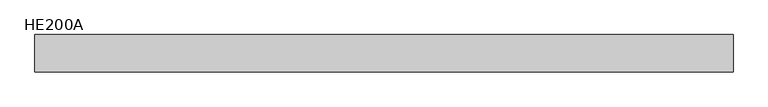
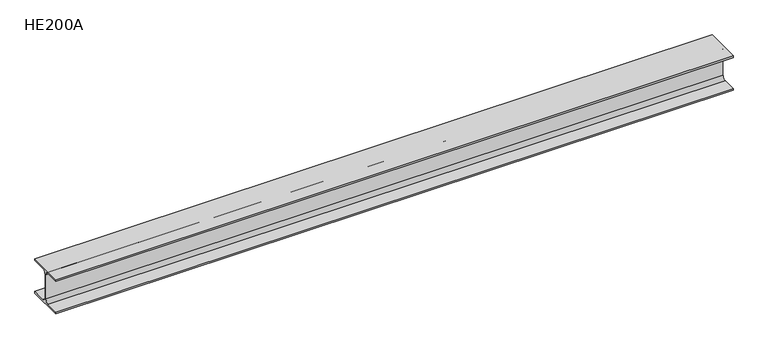
"""IFC4 building model written with IfcOpenShell, lengths in millimetres: beam geometry, HE200A."""

import ifcopenshell
import ifcopenshell.guid

model = None  # the IFC model being written
_history = None  # IfcOwnerHistory: only IFC2X3 demands one
_inside = {}  # id of a spatial element -> (the spatial element, [elements in it])
_under = {}  # id of a project, library or spatial element -> (it, [spatial elements below it])
_declared = {}  # id of a project -> (the project, [libraries it declares])
_typed = {}  # id of a type object -> (the type object, [elements of that type])
_made_of = {}  # id of a material, layer set ... -> (it, [elements and type objects made of it])


def new_model(schema):
    """Start an empty IFC model of exactly this schema.

    Asked for "IFC4X3", IfcOpenShell would pick the latest addendum, in which some entities
    have other attributes; the version numbers below select the first issue.
    IFC2X3 requires an IfcOwnerHistory on every rooted entity: one is made here for all.
    """
    global model, _history
    if schema == "IFC4X3":
        model = ifcopenshell.file(schema_version=(4, 3, 0, 0))
    else:
        model = ifcopenshell.file(schema=schema)
    _inside.clear()
    _under.clear()
    _declared.clear()
    _typed.clear()
    _made_of.clear()
    _history = None
    if model.schema == "IFC2X3":
        org = make("IfcOrganization", Name="unknown")
        user = make(
            "IfcPersonAndOrganization",
            ThePerson=make("IfcPerson", FamilyName="unknown"),
            TheOrganization=org,
        )
        app = make(
            "IfcApplication",
            ApplicationDeveloper=org,
            Version="unknown",
            ApplicationFullName="unknown",
            ApplicationIdentifier="unknown",
        )
        _history = make(
            "IfcOwnerHistory",
            OwningUser=user,
            OwningApplication=app,
            ChangeAction="ADDED",
            CreationDate=0,
        )
    return model


def make(cls, **values):
    """One entity of the class cls with the attributes given. An attribute that is None is left unset."""
    return model.create_entity(
        cls, **{name: value for name, value in values.items() if value is not None}
    )


def rooted(cls, **values):
    """An entity with a GlobalId (a new one), such as an element, a storey or a relation."""
    return make(cls, GlobalId=ifcopenshell.guid.new(), OwnerHistory=_history, **values)


def si_unit(unit_type, name, prefix=None):
    """IfcSIUnit, for example si_unit("LENGTHUNIT", "METRE", prefix="MILLI")."""
    return make("IfcSIUnit", UnitType=unit_type, Prefix=prefix, Name=name)


def assignment(units):
    """IfcUnitAssignment: the units of a project."""
    return None if units is None else make("IfcUnitAssignment", Units=units)


def point(xyz):
    """IfcCartesianPoint."""
    return None if xyz is None else make("IfcCartesianPoint", Coordinates=xyz)


def direction(xyz):
    """IfcDirection."""
    return None if xyz is None else make("IfcDirection", DirectionRatios=xyz)


def frame(location, z_axis=None, x_axis=None):
    """IfcAxis2Placement3D, a coordinate frame: its origin and axes. An axis left out is left unset."""
    return make(
        "IfcAxis2Placement3D",
        Location=point(location),
        Axis=direction(z_axis),
        RefDirection=direction(x_axis),
    )


def frame_2d(location, x_axis=None):
    """IfcAxis2Placement2D, a coordinate frame in the plane: its origin and x axis."""
    return make(
        "IfcAxis2Placement2D", Location=point(location), RefDirection=direction(x_axis)
    )


def origin():
    """The frame at (0, 0, 0) with its axes left unset."""
    return frame((0.0, 0.0, 0.0))


def place(relative_to, where):
    """IfcLocalPlacement: puts the frame where relative to a parent placement (None: the world)."""
    return make(
        "IfcLocalPlacement", PlacementRelTo=relative_to, RelativePlacement=where
    )


def context(
    kind, dimensions, precision=None, world=None, true_north=None, identifier=None
):
    """IfcGeometricRepresentationContext, for example the 3D "Model" context."""
    return make(
        "IfcGeometricRepresentationContext",
        ContextIdentifier=identifier,
        ContextType=kind,
        CoordinateSpaceDimension=dimensions,
        Precision=precision,
        WorldCoordinateSystem=world,
        TrueNorth=true_north,
    )


def project(units=None, contexts=None):
    """IfcProject with its units and contexts."""
    return rooted(
        "IfcProject",
        Name="project",
        RepresentationContexts=contexts,
        UnitsInContext=assignment(units),
    )


def spatial(cls, under=None, at=None, **own):
    """A site, building, storey or space (cls), placed at a placement, below another one or the project."""
    s = rooted(cls, ObjectPlacement=at, **own)
    if under is not None:
        _under.setdefault(under.id(), (under, []))[1].append(s)
    return s


def polyline(points):
    """IfcPolyline through the points."""
    return make("IfcPolyline", Points=[point(p) for p in points])


def circle_curve(where, radius):
    """IfcCircle in the frame where."""
    return make("IfcCircle", Position=where, Radius=radius)


def trimmed(basis, trim1, trim2, sense, master):
    """IfcTrimmedCurve: the piece of a basis curve between two trims."""
    return make(
        "IfcTrimmedCurve",
        BasisCurve=basis,
        Trim1=trim1,
        Trim2=trim2,
        SenseAgreement=sense,
        MasterRepresentation=master,
    )


def segment(curve, same_sense, transition):
    """IfcCompositeCurveSegment."""
    return make(
        "IfcCompositeCurveSegment",
        Transition=transition,
        SameSense=same_sense,
        ParentCurve=curve,
    )


def composite_curve(segments, self_intersect=None):
    """IfcCompositeCurve: segments joined end to end."""
    return make("IfcCompositeCurve", Segments=segments, SelfIntersect=self_intersect)


def outline(outer, holes=None, kind="AREA"):
    """IfcArbitraryClosedProfileDef: a profile drawn as a closed curve; with holes, ...WithVoids."""
    if holes is None:
        return make("IfcArbitraryClosedProfileDef", ProfileType=kind, OuterCurve=outer)
    return make(
        "IfcArbitraryProfileDefWithVoids",
        ProfileType=kind,
        OuterCurve=outer,
        InnerCurves=holes,
    )


def extrude(swept, where, along, depth):
    """IfcExtrudedAreaSolid: the profile swept, set in the frame where, extruded along a direction by depth."""
    return make(
        "IfcExtrudedAreaSolid",
        SweptArea=swept,
        Position=where,
        ExtrudedDirection=direction(along),
        Depth=depth,
    )


def shape(context_of_items, identifier, shape_type, items):
    """IfcShapeRepresentation: the items that make up one representation, for example the "Body"."""
    return make(
        "IfcShapeRepresentation",
        ContextOfItems=context_of_items,
        RepresentationIdentifier=identifier,
        RepresentationType=shape_type,
        Items=items,
    )


def source(mapping_origin, context_of_items, identifier, shape_type, items):
    """IfcRepresentationMap: a shape defined once, which mapped items show again and again."""
    return make(
        "IfcRepresentationMap",
        MappingOrigin=mapping_origin,
        MappedRepresentation=shape(context_of_items, identifier, shape_type, items),
    )


def transform(
    local_origin,
    x_axis=None,
    y_axis=None,
    z_axis=None,
    scale=None,
    scale2=None,
    scale3=None,
    uniform=True,
):
    """IfcCartesianTransformationOperator3D, or its non-uniform kind. x_axis, y_axis, z_axis: its Axis1, 2, 3."""
    if uniform:
        return make(
            "IfcCartesianTransformationOperator3D",
            Axis1=direction(x_axis),
            Axis2=direction(y_axis),
            LocalOrigin=point(local_origin),
            Scale=scale,
            Axis3=direction(z_axis),
        )
    return make(
        "IfcCartesianTransformationOperator3DnonUniform",
        Axis1=direction(x_axis),
        Axis2=direction(y_axis),
        LocalOrigin=point(local_origin),
        Scale=scale,
        Axis3=direction(z_axis),
        Scale2=scale2,
        Scale3=scale3,
    )


def mapped(mapping_source, mapping_target):
    """IfcMappedItem: shows the shape of a source again, moved by a transform."""
    return make(
        "IfcMappedItem", MappingSource=mapping_source, MappingTarget=mapping_target
    )


def made_of(thing, what):
    """Note that an element or type object is made of a material, layer set ...; save() writes the relation."""
    if what is not None:
        _made_of.setdefault(what.id(), (what, []))[1].append(thing)
    return thing


def element(
    cls,
    number,
    at=None,
    inside=None,
    cuts=None,
    type_object=None,
    material=None,
    context=None,
    identifier="Body",
    shape_type=None,
    held_by="IfcProductDefinitionShape",
    body=None,
    shapes=None,
    **own,
):
    """One element of the class cls, such as IfcWall. Its Tag is "e" and its number.

    at: its placement. inside: the storey or other place that contains it. cuts: it is an
    opening in that element (IfcRelVoidsElement). A single representation is given by context,
    identifier, shape_type and body (its items); several are given by shapes. held_by: the class
    of the entity that holds the representations. save() writes the other relations.
    """
    e = rooted(cls, Tag="e%d" % number, ObjectPlacement=at, **own)
    if body is not None:
        shapes = [shape(context, identifier, shape_type, body)]
    if shapes is not None:
        e.Representation = make(held_by, Representations=shapes)
    if inside is not None:
        _inside.setdefault(inside.id(), (inside, []))[1].append(e)
    if cuts is not None:
        rooted(
            "IfcRelVoidsElement", RelatingBuildingElement=cuts, RelatedOpeningElement=e
        )
    if type_object is not None:
        _typed.setdefault(type_object.id(), (type_object, []))[1].append(e)
    return made_of(e, material)


def aggregate(whole, parts):
    """IfcRelAggregates: a whole, such as a stair, and the parts it consists of."""
    return rooted("IfcRelAggregates", RelatingObject=whole, RelatedObjects=parts)


def save(model, path):
    """Write the relations noted so far, then the file.

    IfcRelAggregates (storeys below a building ...), IfcRelContainedInSpatialStructure (elements
    in a storey), IfcRelDefinesByType, IfcRelAssociatesMaterial and IfcRelDeclares: one each for
    every whole, place, type object, material and project.
    """
    for whole, parts in _under.values():
        aggregate(whole, parts)
    for where, things in _inside.values():
        rooted(
            "IfcRelContainedInSpatialStructure",
            RelatedElements=things,
            RelatingStructure=where,
        )
    for kind, things in _typed.values():
        rooted("IfcRelDefinesByType", RelatedObjects=things, RelatingType=kind)
    for what, things in _made_of.values():
        rooted("IfcRelAssociatesMaterial", RelatedObjects=things, RelatingMaterial=what)
    for by, libraries in _declared.values():
        rooted("IfcRelDeclares", RelatingContext=by, RelatedDefinitions=libraries)
    model.write(path)


def he200a_0d256b0d(model_context):
    return source(origin(), model_context, "Body", "SweptSolid", [
        extrude(outline(composite_curve([segment(polyline([(100.0, -90.0), (100.0, -100.0), (-100.0, -100.0), (-100.0, -90.0), (-24.0, -90.0)]), True, "CONTINUOUS"), segment(trimmed(circle_curve(frame_2d((-24.0, -70.0)), 20.0), [point((-24.0, -90.0))], [point((-4.0, -70.0))], True, "CARTESIAN"), True, "CONTINUOUS"), segment(polyline([(-4.0, -70.0), (-4.0, 70.0)]), True, "CONTINUOUS"), segment(trimmed(circle_curve(frame_2d((-24.0, 70.0)), 20.0), [point((-4.0, 70.0))], [point((-24.0, 90.0))], True, "CARTESIAN"), True, "CONTINUOUS"), segment(polyline([(-24.0, 90.0), (-100.0, 90.0), (-100.0, 100.0), (100.0, 100.0), (100.0, 90.0), (24.0, 90.0)]), True, "CONTINUOUS"), segment(trimmed(circle_curve(frame_2d((24.0, 70.0)), 20.0), [point((24.0, 90.0))], [point((4.0, 70.0))], True, "CARTESIAN"), True, "CONTINUOUS"), segment(polyline([(4.0, 70.0), (4.0, -70.0)]), True, "CONTINUOUS"), segment(trimmed(circle_curve(frame_2d((24.0, -70.0)), 20.0), [point((4.0, -70.0))], [point((24.0, -90.0))], True, "CARTESIAN"), True, "CONTINUOUS"), segment(polyline([(24.0, -90.0), (100.0, -90.0)]), True, "CONTINUOUS")], self_intersect=False)), frame((-1875.5, 0.0, 0.0), z_axis=(1.0, 0.0, 0.0), x_axis=(0.0, 1.0, 0.0)), (0.0, 0.0, 1.0), 3719.0),
    ])


if __name__ == "__main__":
    model = new_model("IFC4")
    model_context = context("Model", 3, world=origin())
    ifc_project = project(units=[si_unit("LENGTHUNIT", "METRE", prefix="MILLI")], contexts=[model_context])
    site = spatial("IfcSite", under=ifc_project)
    building = spatial("IfcBuilding", under=site)
    placement = place(None, origin())
    he200a_shape = he200a_0d256b0d(model_context)
    element("IfcBeam", 1, ObjectType="HE200A", at=placement, inside=building, context=model_context, shape_type="MappedRepresentation", body=[
        mapped(he200a_shape, transform((0.0, 0.0, 0.0), x_axis=(1.0, 0.0, 0.0), y_axis=(0.0, 1.0, 0.0), z_axis=(0.0, 0.0, 1.0))),
    ])
    save(model, "model.ifc")
